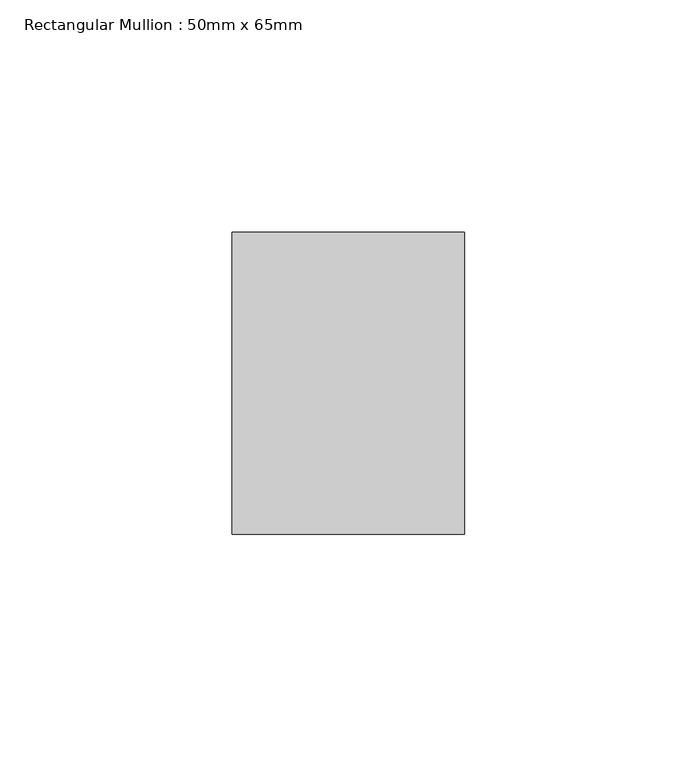
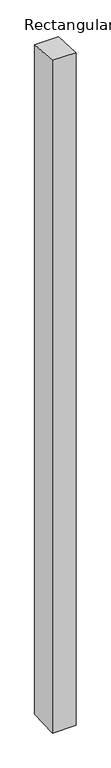
"""IFC4 building model written with IfcOpenShell, lengths in millimetres: member geometry, Rectangular Mullion : 50mm x 65mm."""

from ifc_helpers import new_model, si_unit, frame, origin, place, context, project, spatial, polyline, outline, extrude, source, transform, mapped, element, save


def rectangular_mullion_50mm_x_65mm_3ffc7ebe(model_context):
    return source(origin(), model_context, "Body", "SweptSolid", [
        extrude(outline(polyline([(-32.5, 2.1659767), (32.5, -2.1659769), (32.5, -1498.7588337), (-32.5, -1501.2410157), (-32.5, 2.1659767)])), frame((-25.0, 0.0, 0.0), z_axis=(1.0, 0.0, 0.0), x_axis=(0.0, 1.0, 0.0)), (0.0, 0.0, 1.0), 50.0),
    ])


if __name__ == "__main__":
    model = new_model("IFC4")
    model_context = context("Model", 3, world=origin())
    ifc_project = project(units=[si_unit("LENGTHUNIT", "METRE", prefix="MILLI")], contexts=[model_context])
    site = spatial("IfcSite", under=ifc_project)
    building = spatial("IfcBuilding", under=site)
    placement = place(None, origin())
    rectangular_mullion_50mm_x_65mm_shape = rectangular_mullion_50mm_x_65mm_3ffc7ebe(model_context)
    element("IfcMember", 1, ObjectType="Rectangular Mullion : 50mm x 65mm", at=placement, inside=building, context=model_context, shape_type="MappedRepresentation", body=[
        mapped(rectangular_mullion_50mm_x_65mm_shape, transform((0.0, 0.0, 0.0), x_axis=(1.0, 0.0, 0.0), y_axis=(0.0, 1.0, 0.0), z_axis=(0.0, 0.0, 1.0))),
    ])
    save(model, "model.ifc")
